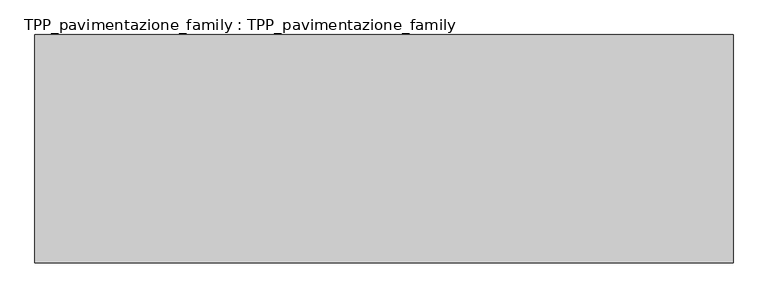
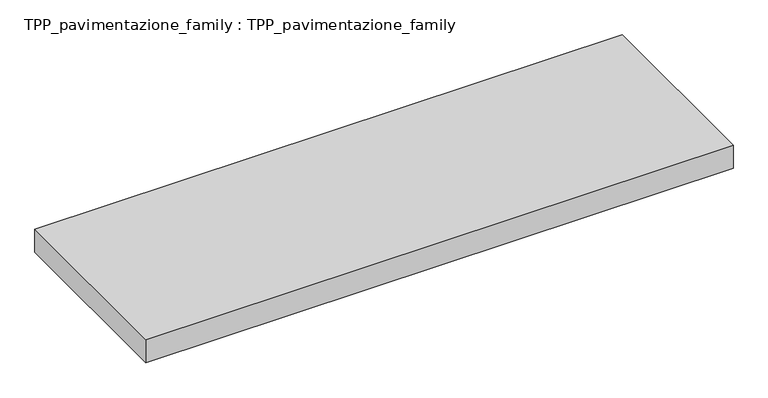
"""IFC4 building model written with IfcOpenShell, lengths in millimetres: proxy geometry, TPP_pavimentazione_family : TPP_pavimentazione_family."""

from ifc_helpers import new_model, si_unit, origin, origin_with_axes, place, context, project, spatial, polyline, outline, extrude, source, transform, mapped, element, save


def tpp_pavimentazione_family_tpp_pavimentazione_family_1a7928d6(model_context):
    return source(origin(), model_context, "Body", "SweptSolid", [
        extrude(outline(polyline([(511.8146187, 354.2201026), (511.8146187, -39.8515717), (-692.6820949, -39.8515717), (-692.6820949, 354.2201026), (511.8146187, 354.2201026)])), origin_with_axes(), (0.0, 0.0, 1.0), 50.0),
    ])


if __name__ == "__main__":
    model = new_model("IFC4")
    model_context = context("Model", 3, world=origin())
    ifc_project = project(units=[si_unit("LENGTHUNIT", "METRE", prefix="MILLI")], contexts=[model_context])
    site = spatial("IfcSite", under=ifc_project)
    building = spatial("IfcBuilding", under=site)
    placement = place(None, origin())
    tpp_pavimentazione_family_tpp_pavimentazione_family_shape = tpp_pavimentazione_family_tpp_pavimentazione_family_1a7928d6(model_context)
    element("IfcBuildingElementProxy", 1, Name="TPP_pavimentazione_family : TPP_pavimentazione_family", ObjectType="TPP_pavimentazione_family : TPP_pavimentazione_family", at=placement, inside=building, context=model_context, shape_type="MappedRepresentation", body=[
        mapped(tpp_pavimentazione_family_tpp_pavimentazione_family_shape, transform((0.0, 0.0, 0.0), x_axis=(1.0, 0.0, 0.0), y_axis=(0.0, 1.0, 0.0), z_axis=(0.0, 0.0, 1.0))),
    ])
    save(model, "model.ifc")
